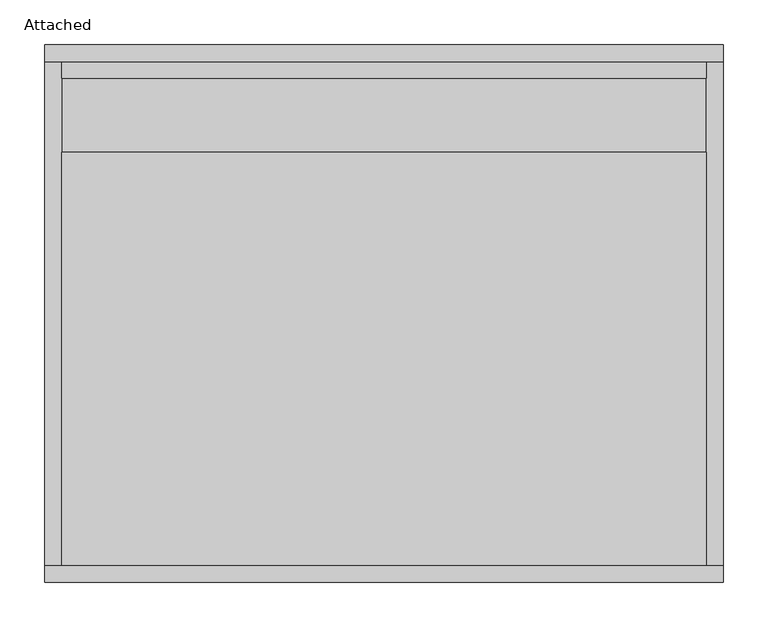
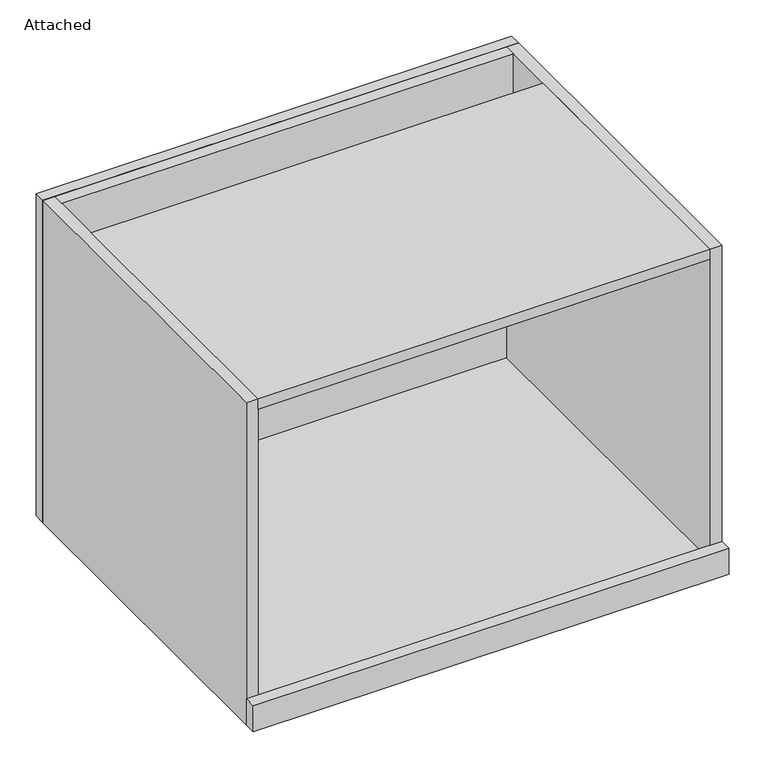
"""IFC4 building model written with IfcOpenShell, lengths in millimetres: furniture geometry, Attached."""

from ifc_helpers import new_model, si_unit, frame, origin, origin_with_axes, place, context, project, spatial, polyline, outline, extrude, source, transform, mapped, element, save


def attached_03ccd565(model_context):
    return source(origin(), model_context, "Body", "SweptSolid", [
        extrude(outline(polyline([(-361.95, 0.0), (361.95, 0.0), (361.95, -565.15), (-361.95, -565.15), (-361.95, 0.0)])), origin_with_axes(), (0.0, 0.0, 1.0), 19.05),
        extrude(outline(polyline([(381.0, 0.0), (-381.0, 0.0), (-381.0, 19.05), (381.0, 19.05), (381.0, 0.0)])), origin_with_axes(), (0.0, 0.0, 1.0), 546.1),
        extrude(outline(polyline([(-361.95, 0.0), (361.95, 0.0), (361.95, -19.05), (-361.95, -19.05), (-361.95, 0.0)])), frame((0.0, 0.0, 327.025), z_axis=(0.0, 0.0, 1.0), x_axis=(1.0, 0.0, 0.0)), (0.0, 0.0, 1.0), 219.075),
        extrude(outline(polyline([(-361.95, -101.6), (361.95, -101.6), (361.95, -565.15), (-361.95, -565.15), (-361.95, -101.6)])), frame((0.0, 0.0, 528.6375), z_axis=(0.0, 0.0, 1.0), x_axis=(1.0, 0.0, 0.0)), (0.0, 0.0, 1.0), 17.4625),
        extrude(outline(polyline([(381.0, 0.0), (381.0, -565.15), (361.95, -565.15), (361.95, 0.0), (381.0, 0.0)])), origin_with_axes(), (0.0, 0.0, 1.0), 546.1),
        extrude(outline(polyline([(381.0, -565.15), (381.0, -584.2), (-381.0, -584.2), (-381.0, -565.15), (381.0, -565.15)])), origin_with_axes(), (0.0, 0.0, 1.0), 44.45),
        extrude(outline(polyline([(-361.95, 0.0), (-361.95, -565.15), (-381.0, -565.15), (-381.0, 0.0), (-361.95, 0.0)])), origin_with_axes(), (0.0, 0.0, 1.0), 546.1),
    ])


if __name__ == "__main__":
    model = new_model("IFC4")
    model_context = context("Model", 3, world=origin())
    ifc_project = project(units=[si_unit("LENGTHUNIT", "METRE", prefix="MILLI")], contexts=[model_context])
    site = spatial("IfcSite", under=ifc_project)
    building = spatial("IfcBuilding", under=site)
    placement = place(None, origin())
    attached_shape = attached_03ccd565(model_context)
    element("IfcFurniture", 1, ObjectType="Attached", at=placement, inside=building, context=model_context, shape_type="MappedRepresentation", body=[
        mapped(attached_shape, transform((0.0, 0.0, 0.0), x_axis=(1.0, 0.0, 0.0), y_axis=(0.0, 1.0, 0.0), z_axis=(0.0, 0.0, 1.0))),
    ])
    save(model, "model.ifc")
